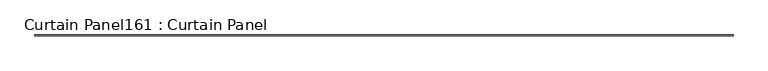
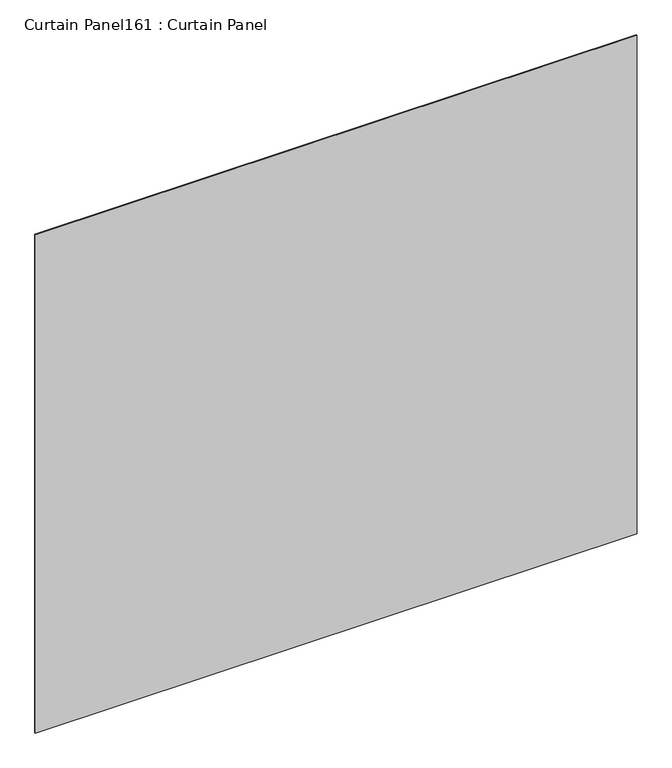
"""IFC4 building model written with IfcOpenShell, lengths in millimetres: plate geometry, Curtain Panel161 : Curtain Panel."""

from ifc_helpers import new_model, si_unit, frame, origin, place, context, project, spatial, polyline, outline, extrude, source, transform, mapped, element, save


def curtain_panel161_curtain_panel_afcd4805(model_context):
    return source(origin(), model_context, "Body", "SweptSolid", [
        extrude(outline(polyline([(445463.9898013, 2292.6839321), (439407.8982744, 2292.6839321), (439407.8982744, 2299.0339321), (445463.9898013, 2299.0339321), (445463.9898013, 2292.6839321)])), frame((0.0, 0.0, 15436.6852743), z_axis=(0.0, 0.0, 1.0), x_axis=(1.0, 0.0, 0.0)), (0.0, 0.0, 1.0), 5302.093292),
    ])


if __name__ == "__main__":
    model = new_model("IFC4")
    model_context = context("Model", 3, world=origin())
    ifc_project = project(units=[si_unit("LENGTHUNIT", "METRE", prefix="MILLI")], contexts=[model_context])
    site = spatial("IfcSite", under=ifc_project)
    building = spatial("IfcBuilding", under=site)
    placement = place(None, origin())
    curtain_panel161_curtain_panel_shape = curtain_panel161_curtain_panel_afcd4805(model_context)
    element("IfcPlate", 1, ObjectType="Curtain Panel161 : Curtain Panel", at=placement, inside=building, context=model_context, shape_type="MappedRepresentation", body=[
        mapped(curtain_panel161_curtain_panel_shape, transform((0.0, 0.0, 0.0), x_axis=(1.0, 0.0, 0.0), y_axis=(0.0, 1.0, 0.0), z_axis=(0.0, 0.0, 1.0))),
    ])
    save(model, "model.ifc")
